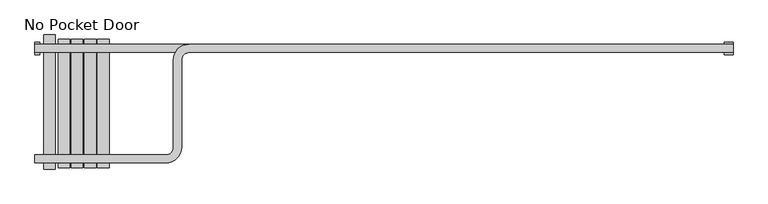
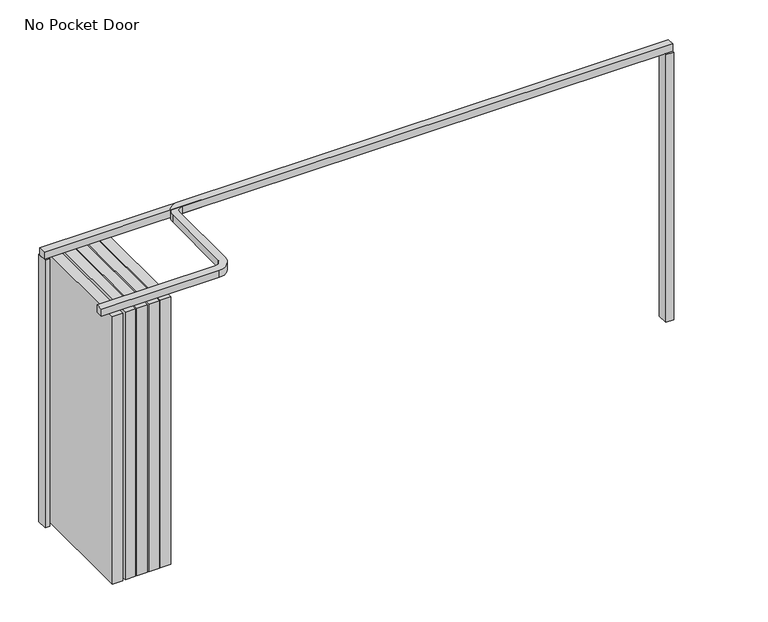
"""IFC4 building model written with IfcOpenShell, lengths in millimetres: proxy geometry, No Pocket Door."""

from ifc_helpers import new_model, si_unit, point, frame, frame_2d, origin, origin_with_axes, place, context, project, spatial, polyline, circle_curve, trimmed, segment, composite_curve, outline, extrude, source, transform, mapped, element, save


def no_pocket_door_27da3fdb(model_context):
    return source(origin(), model_context, "Body", "SweptSolid", [
        extrude(outline(polyline([(-1373.2464503, 117.475), (-1271.6464503, 117.475), (-1271.6464503, -1053.465), (-1373.2464503, -1053.465), (-1373.2464503, 117.475)])), origin_with_axes(), (0.0, 0.0, 1.0), 2743.2),
        extrude(outline(polyline([(-916.0464503, -1044.2575), (-1017.6464503, -1044.2575), (-1017.6464503, 79.0575), (-916.0464503, 79.0575), (-916.0464503, -1044.2575)])), origin_with_axes(), (0.0, 0.0, 1.0), 2743.2),
        extrude(outline(polyline([(-1404.9964503, -53.975), (-1449.4464503, -53.975), (-1449.4464503, 53.975), (-1404.9964503, 53.975), (-1404.9964503, -53.975)])), origin_with_axes(), (0.0, 0.0, 1.0), 2743.2),
        extrude(outline(polyline([(-1030.3464503, -1044.2575), (-1131.9464503, -1044.2575), (-1131.9464503, 79.0575), (-1030.3464503, 79.0575), (-1030.3464503, -1044.2575)])), origin_with_axes(), (0.0, 0.0, 1.0), 2743.2),
        extrude(outline(polyline([(-801.7464503, -1044.2575), (-903.3464503, -1044.2575), (-903.3464503, 79.0575), (-801.7464503, 79.0575), (-801.7464503, -1044.2575)])), origin_with_axes(), (0.0, 0.0, 1.0), 2743.2),
        extrude(outline(polyline([(4646.5535497, -53.975), (4570.3535497, -53.975), (4570.3535497, 53.975), (4646.5535497, 53.975), (4646.5535497, -53.975)])), origin_with_axes(), (0.0, 0.0, 1.0), 2743.2),
        extrude(outline(polyline([(-1144.6464503, -1044.2575), (-1246.2464503, -1044.2575), (-1246.2464503, 79.0575), (-1144.6464503, 79.0575), (-1144.6464503, -1044.2575)])), origin_with_axes(), (0.0, 0.0, 1.0), 2743.2),
        extrude(outline(composite_curve([segment(polyline([(4646.5535497, -35.71875), (-103.2464503, -35.71875)]), True, "CONTINUOUS"), segment(trimmed(circle_curve(frame_2d((-103.2464503, -101.6)), 65.88125), [point((-103.2464503, -35.71875))], [point((-169.1277003, -101.6))], True, "CARTESIAN"), True, "CONTINUOUS"), segment(polyline([(-169.1277003, -101.6), (-169.1277003, -863.6)]), True, "CONTINUOUS"), segment(trimmed(circle_curve(frame_2d((-306.4464503, -863.6)), 137.31875), [point((-169.1277003, -863.6))], [point((-306.4464503, -1000.91875))], False, "CARTESIAN"), True, "CONTINUOUS"), segment(polyline([(-306.4464503, -1000.91875), (-1449.4464503, -1000.91875), (-1449.4464503, -929.48125), (-306.4464503, -929.48125)]), True, "CONTINUOUS"), segment(trimmed(circle_curve(frame_2d((-306.4464503, -863.6)), 65.88125), [point((-306.4464503, -929.48125))], [point((-240.5652003, -863.6))], True, "CARTESIAN"), True, "CONTINUOUS"), segment(polyline([(-240.5652003, -863.6), (-240.5652003, -101.6)]), True, "CONTINUOUS"), segment(trimmed(circle_curve(frame_2d((-103.2464503, -101.6)), 137.31875), [point((-240.5652003, -101.6))], [point((-103.2464503, 35.71875))], False, "CARTESIAN"), True, "CONTINUOUS"), segment(polyline([(-103.2464503, 35.71875), (4646.5535497, 35.71875), (4646.5535497, -35.71875)]), True, "CONTINUOUS")], self_intersect=False)), frame((0.0, 0.0, 2743.2), z_axis=(0.0, 0.0, 1.0), x_axis=(1.0, 0.0, 0.0)), (0.0, 0.0, 1.0), 74.6125),
        extrude(outline(polyline([(77.0935497, -35.71875), (-1449.4464503, -35.71875), (-1449.4464503, 35.71875), (77.0935497, 35.71875), (77.0935497, -35.71875)])), frame((0.0, 0.0, 2743.2), z_axis=(0.0, 0.0, 1.0), x_axis=(1.0, 0.0, 0.0)), (0.0, 0.0, 1.0), 74.6125),
    ])


if __name__ == "__main__":
    model = new_model("IFC4")
    model_context = context("Model", 3, world=origin())
    ifc_project = project(units=[si_unit("LENGTHUNIT", "METRE", prefix="MILLI")], contexts=[model_context])
    site = spatial("IfcSite", under=ifc_project)
    building = spatial("IfcBuilding", under=site)
    placement = place(None, origin())
    no_pocket_door_shape = no_pocket_door_27da3fdb(model_context)
    element("IfcBuildingElementProxy", 1, Name="No Pocket Door", ObjectType="No Pocket Door", at=placement, inside=building, context=model_context, shape_type="MappedRepresentation", body=[
        mapped(no_pocket_door_shape, transform((0.0, 0.0, 0.0), x_axis=(1.0, 0.0, 0.0), y_axis=(0.0, 1.0, 0.0), z_axis=(0.0, 0.0, 1.0))),
    ])
    save(model, "model.ifc")
